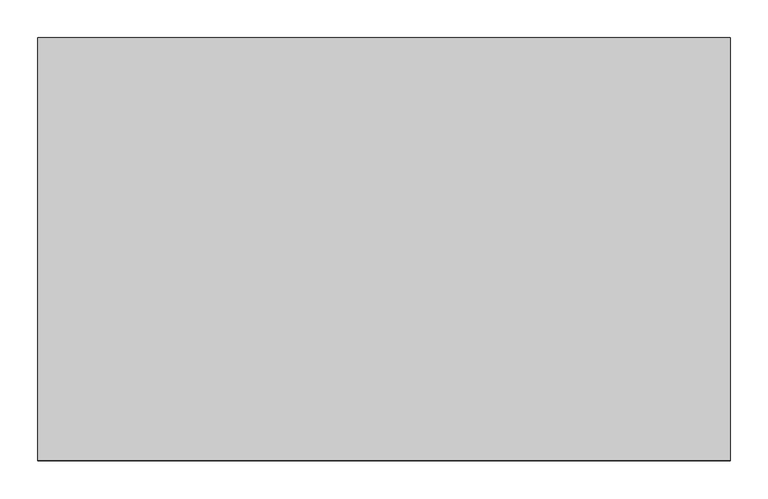
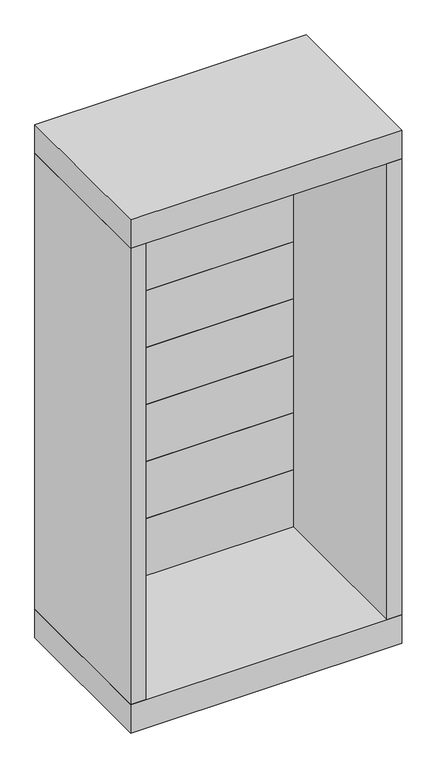
"""IFC4 building model written with IfcOpenShell, lengths in millimetres: proxy geometry."""

from ifc_helpers import new_model, si_unit, frame, origin, origin_with_axes, place, context, project, spatial, polyline, outline, extrude, source, transform, mapped, element, save


def generic_models_c2536b5a(model_context):
    return source(origin(), model_context, "Body", "SweptSolid", [
        extrude(outline(polyline([(889.0, 546.1), (25.4, 546.1), (25.4, 555.625), (889.0, 555.625), (889.0, 546.1)])), frame((0.0, 0.0, 101.6), z_axis=(0.0, 0.0, 1.0), x_axis=(1.0, 0.0, 0.0)), (0.0, 0.0, 1.0), 203.2),
        extrude(outline(polyline([(889.0, 546.1), (25.4, 546.1), (25.4, 555.625), (889.0, 555.625), (889.0, 546.1)])), frame((0.0, 0.0, 304.8), z_axis=(0.0, 0.0, 1.0), x_axis=(1.0, 0.0, 0.0)), (0.0, 0.0, 1.0), 203.2),
        extrude(outline(polyline([(889.0, 546.1), (25.4, 546.1), (25.4, 555.625), (889.0, 555.625), (889.0, 546.1)])), frame((0.0, 0.0, 508.0), z_axis=(0.0, 0.0, 1.0), x_axis=(1.0, 0.0, 0.0)), (0.0, 0.0, 1.0), 203.2),
        extrude(outline(polyline([(889.0, 546.1), (25.4, 546.1), (25.4, 555.625), (889.0, 555.625), (889.0, 546.1)])), frame((0.0, 0.0, 711.2), z_axis=(0.0, 0.0, 1.0), x_axis=(1.0, 0.0, 0.0)), (0.0, 0.0, 1.0), 203.2),
        extrude(outline(polyline([(889.0, 546.1), (25.4, 546.1), (25.4, 555.625), (889.0, 555.625), (889.0, 546.1)])), frame((0.0, 0.0, 1117.6), z_axis=(0.0, 0.0, 1.0), x_axis=(1.0, 0.0, 0.0)), (0.0, 0.0, 1.0), 203.2),
        extrude(outline(polyline([(889.0, 546.1), (25.4, 546.1), (25.4, 555.625), (889.0, 555.625), (889.0, 546.1)])), frame((0.0, 0.0, 1320.8), z_axis=(0.0, 0.0, 1.0), x_axis=(1.0, 0.0, 0.0)), (0.0, 0.0, 1.0), 203.2),
        extrude(outline(polyline([(546.1, 914.4), (546.1, 1117.6), (555.625, 1117.6), (555.625, 1111.25), (549.275, 1111.25), (549.275, 1098.55), (555.625, 1098.55), (555.625, 952.5), (549.275, 952.5), (549.275, 920.75), (555.625, 920.75), (555.625, 914.4), (546.1, 914.4)])), frame((25.4, 0.0, 0.0), z_axis=(1.0, 0.0, 0.0), x_axis=(0.0, 1.0, 0.0)), (0.0, 0.0, 1.0), 863.6),
        extrude(outline(polyline([(889.0, 546.1), (25.4, 546.1), (25.4, 555.625), (889.0, 555.625), (889.0, 546.1)])), frame((0.0, 0.0, 1524.0), z_axis=(0.0, 0.0, 1.0), x_axis=(1.0, 0.0, 0.0)), (0.0, 0.0, 1.0), 203.2),
        extrude(outline(polyline([(914.4, 558.8), (914.4, 0.0), (0.0, 0.0), (0.0, 558.8), (914.4, 558.8)])), frame((0.0, 0.0, 1727.2), z_axis=(0.0, 0.0, 1.0), x_axis=(1.0, 0.0, 0.0)), (0.0, 0.0, 1.0), 101.6),
        extrude(outline(polyline([(914.4, 558.8), (914.4, 0.0), (0.0, 0.0), (0.0, 558.8), (914.4, 558.8)])), origin_with_axes(), (0.0, 0.0, 1.0), 101.6),
        extrude(outline(polyline([(0.0, 558.8), (25.4, 558.8), (25.4, 546.1), (50.8, 546.1), (50.8, 0.0), (0.0, 0.0), (0.0, 558.8)])), frame((0.0, 0.0, 101.6), z_axis=(0.0, 0.0, 1.0), x_axis=(1.0, 0.0, 0.0)), (0.0, 0.0, 1.0), 1625.6),
        extrude(outline(polyline([(863.6, 546.1), (889.0, 546.1), (889.0, 558.8), (914.4, 558.8), (914.4, 0.0), (863.6, 0.0), (863.6, 546.1)])), frame((0.0, 0.0, 101.6), z_axis=(0.0, 0.0, 1.0), x_axis=(1.0, 0.0, 0.0)), (0.0, 0.0, 1.0), 1625.6),
    ])


if __name__ == "__main__":
    model = new_model("IFC4")
    model_context = context("Model", 3, world=origin())
    ifc_project = project(units=[si_unit("LENGTHUNIT", "METRE", prefix="MILLI")], contexts=[model_context])
    site = spatial("IfcSite", under=ifc_project)
    building = spatial("IfcBuilding", under=site)
    placement = place(None, origin())
    generic_models_shape = generic_models_c2536b5a(model_context)
    element("IfcBuildingElementProxy", 1, Name="Generic Models", at=placement, inside=building, context=model_context, shape_type="MappedRepresentation", body=[
        mapped(generic_models_shape, transform((0.0, 0.0, 0.0), x_axis=(1.0, 0.0, 0.0), y_axis=(0.0, 1.0, 0.0), z_axis=(0.0, 0.0, 1.0))),
    ])
    save(model, "model.ifc")
